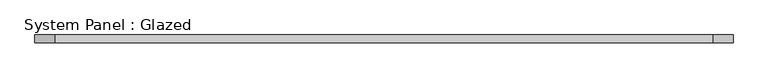
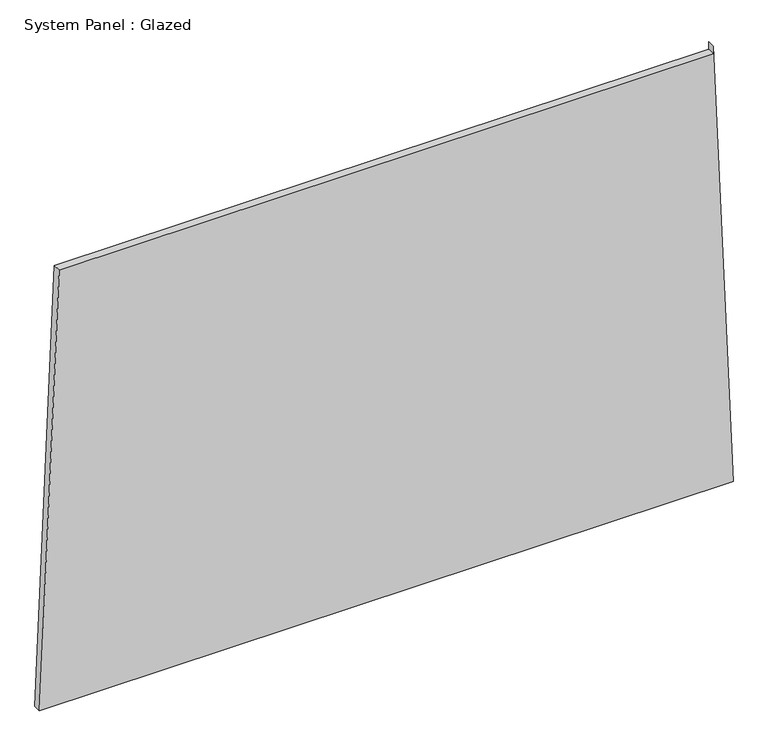
"""IFC4 building model written with IfcOpenShell, lengths in millimetres: plate geometry, System Panel : Glazed."""

from ifc_helpers import new_model, si_unit, frame, origin, place, context, project, spatial, polyline, outline, extrude, source, transform, mapped, element, save


def system_panel_glazed_746e7e57(model_context):
    return source(origin(), model_context, "Body", "SweptSolid", [
        extrude(outline(polyline([(0.0, -1092.8644819), (0.0, 1092.8644819), (1473.6408741, 1030.0958093), (1448.6408741, 1030.0958089), (1448.640908, -1031.1609816), (0.0, -1092.8644819)])), frame((0.0, -49.5, 0.0), z_axis=(0.0, 1.0, 0.0), x_axis=(0.0, 0.0, 1.0)), (0.0, 0.0, 1.0), 25.0),
    ])


if __name__ == "__main__":
    model = new_model("IFC4")
    model_context = context("Model", 3, world=origin())
    ifc_project = project(units=[si_unit("LENGTHUNIT", "METRE", prefix="MILLI")], contexts=[model_context])
    site = spatial("IfcSite", under=ifc_project)
    building = spatial("IfcBuilding", under=site)
    placement = place(None, origin())
    system_panel_glazed_shape = system_panel_glazed_746e7e57(model_context)
    element("IfcPlate", 1, ObjectType="System Panel : Glazed", at=placement, inside=building, context=model_context, shape_type="MappedRepresentation", body=[
        mapped(system_panel_glazed_shape, transform((0.0, 0.0, 0.0), x_axis=(1.0, 0.0, 0.0), y_axis=(0.0, 1.0, 0.0), z_axis=(0.0, 0.0, 1.0))),
    ])
    save(model, "model.ifc")
